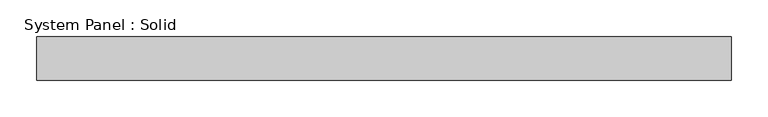
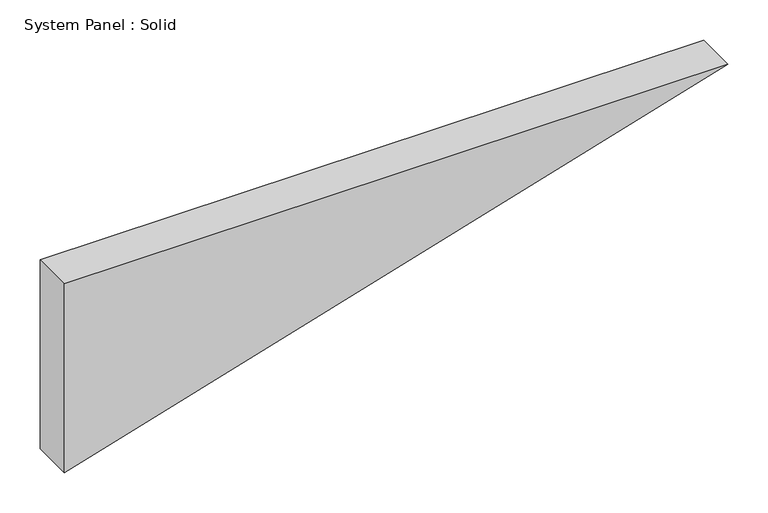
"""IFC4 building model written with IfcOpenShell, lengths in millimetres: plate geometry, System Panel : Solid."""

from ifc_helpers import new_model, si_unit, frame, origin, place, context, project, spatial, polyline, outline, extrude, source, transform, mapped, element, save


def system_panel_solid_81e0f27c(model_context):
    return source(origin(), model_context, "Body", "SweptSolid", [
        extrude(outline(polyline([(285.9911924, -475.726382), (0.0, -475.726382), (285.9911924, 475.726382), (285.9911924, -475.726382)])), frame((0.0, -10.5, 0.0), z_axis=(0.0, 1.0, 0.0), x_axis=(0.0, 0.0, 1.0)), (0.0, 0.0, 1.0), 60.0),
    ])


if __name__ == "__main__":
    model = new_model("IFC4")
    model_context = context("Model", 3, world=origin())
    ifc_project = project(units=[si_unit("LENGTHUNIT", "METRE", prefix="MILLI")], contexts=[model_context])
    site = spatial("IfcSite", under=ifc_project)
    building = spatial("IfcBuilding", under=site)
    placement = place(None, origin())
    system_panel_solid_shape = system_panel_solid_81e0f27c(model_context)
    element("IfcPlate", 1, ObjectType="System Panel : Solid", at=placement, inside=building, context=model_context, shape_type="MappedRepresentation", body=[
        mapped(system_panel_solid_shape, transform((0.0, 0.0, 0.0), x_axis=(1.0, 0.0, 0.0), y_axis=(0.0, 1.0, 0.0), z_axis=(0.0, 0.0, 1.0))),
    ])
    save(model, "model.ifc")
